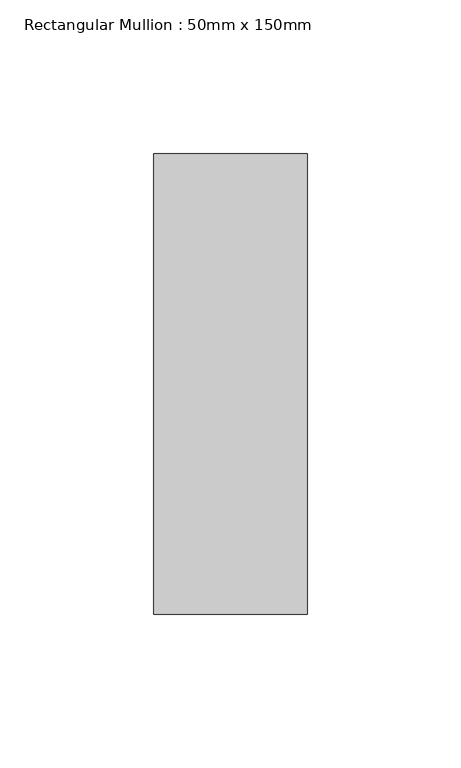
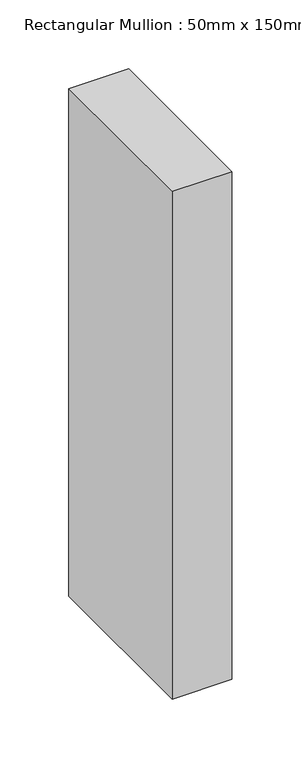
"""IFC4 building model written with IfcOpenShell, lengths in millimetres: member geometry, Rectangular Mullion : 50mm x 150mm."""

from ifc_helpers import new_model, si_unit, frame, origin, place, context, project, spatial, polyline, outline, extrude, source, transform, mapped, element, save


def rectangular_mullion_50mm_x_150mm_0a8c3443(model_context):
    return source(origin(), model_context, "Body", "SweptSolid", [
        extrude(outline(polyline([(0.0, 75.0), (0.0, -75.0), (-50.0, -75.0), (-50.0, 75.0), (0.0, 75.0)])), frame((0.0, 0.0, -450.0), z_axis=(0.0, 0.0, 1.0), x_axis=(1.0, 0.0, 0.0)), (0.0, 0.0, 1.0), 450.0),
    ])


if __name__ == "__main__":
    model = new_model("IFC4")
    model_context = context("Model", 3, world=origin())
    ifc_project = project(units=[si_unit("LENGTHUNIT", "METRE", prefix="MILLI")], contexts=[model_context])
    site = spatial("IfcSite", under=ifc_project)
    building = spatial("IfcBuilding", under=site)
    placement = place(None, origin())
    rectangular_mullion_50mm_x_150mm_shape = rectangular_mullion_50mm_x_150mm_0a8c3443(model_context)
    element("IfcMember", 1, ObjectType="Rectangular Mullion : 50mm x 150mm", at=placement, inside=building, context=model_context, shape_type="MappedRepresentation", body=[
        mapped(rectangular_mullion_50mm_x_150mm_shape, transform((0.0, 0.0, 0.0), x_axis=(1.0, 0.0, 0.0), y_axis=(0.0, 1.0, 0.0), z_axis=(0.0, 0.0, 1.0))),
    ])
    save(model, "model.ifc")
